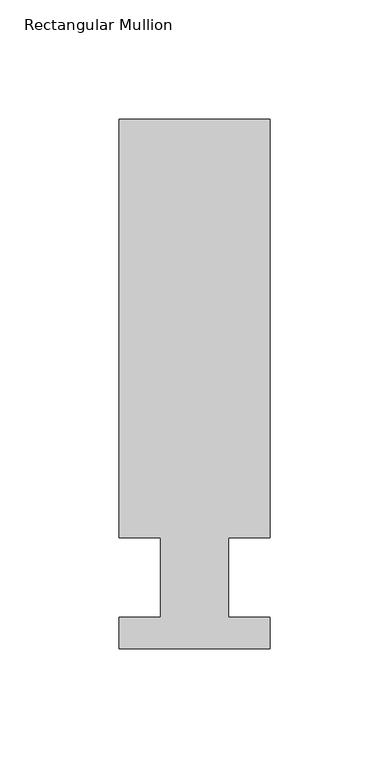
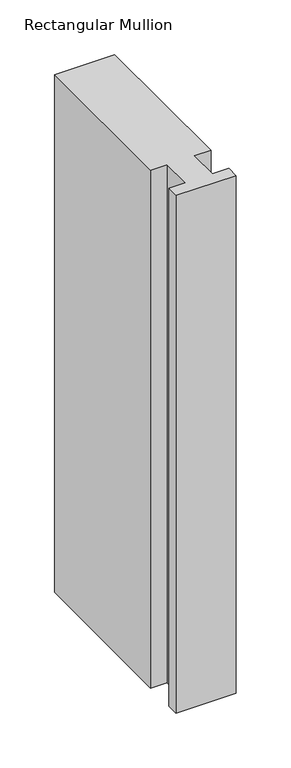
"""IFC4 building model written with IfcOpenShell, lengths in millimetres: member geometry, Rectangular Mullion."""

from ifc_helpers import new_model, si_unit, frame, origin, place, context, project, spatial, polyline, outline, extrude, source, transform, mapped, element, save


def rectangular_mullion_eda76654(model_context):
    return source(origin(), model_context, "Body", "SweptSolid", [
        extrude(outline(polyline([(-63.4999996, 222.5381313), (5e-07, 222.5381313), (5e-07, 46.7447312), (-17.4624996, 46.7447312), (-17.4624996, 13.3945312), (8e-07, 13.3945312), (8e-07, 0.2119312), (-63.4999992, 0.2119312), (-63.4999992, 13.3945312), (-46.0247996, 13.3945312), (-46.0247996, 46.7447312), (-63.4999996, 46.7447312), (-63.4999996, 222.5381313)])), frame((0.0, 0.0, -577.85), z_axis=(0.0, 0.0, 1.0), x_axis=(1.0, 0.0, 0.0)), (0.0, 0.0, 1.0), 577.85),
    ])


if __name__ == "__main__":
    model = new_model("IFC4")
    model_context = context("Model", 3, world=origin())
    ifc_project = project(units=[si_unit("LENGTHUNIT", "METRE", prefix="MILLI")], contexts=[model_context])
    site = spatial("IfcSite", under=ifc_project)
    building = spatial("IfcBuilding", under=site)
    placement = place(None, origin())
    rectangular_mullion_shape = rectangular_mullion_eda76654(model_context)
    element("IfcMember", 1, ObjectType="Rectangular Mullion", at=placement, inside=building, context=model_context, shape_type="MappedRepresentation", body=[
        mapped(rectangular_mullion_shape, transform((0.0, 0.0, 0.0), x_axis=(1.0, 0.0, 0.0), y_axis=(0.0, 1.0, 0.0), z_axis=(0.0, 0.0, 1.0))),
    ])
    save(model, "model.ifc")
